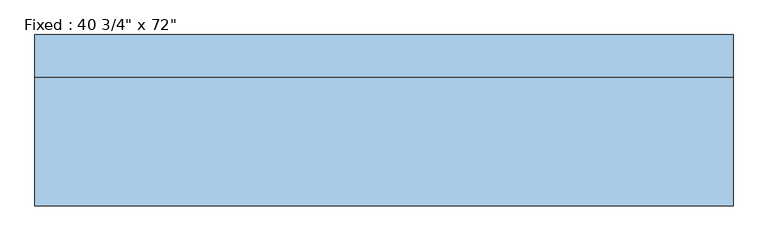
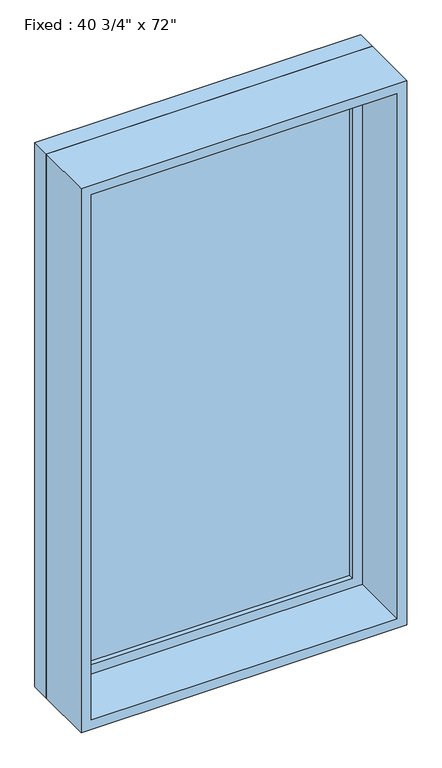
"""IFC4 building model written with IfcOpenShell, lengths in millimetres: window geometry."""

from ifc_helpers import new_model, si_unit, frame, origin, place, context, project, spatial, polyline, outline, extrude, source, transform, mapped, element, save


def window_712ab525(model_context):
    return source(origin(), model_context, "Body", "SweptSolid", [
        extrude(outline(polyline([(415.925, 79.375), (-492.125, 79.375), (-492.125, 92.075), (415.925, 92.075), (415.925, 79.375)])), frame((0.0, 0.0, 368.3), z_axis=(0.0, 0.0, 1.0), x_axis=(1.0, 0.0, 0.0)), (0.0, 0.0, 1.0), 1701.8),
        extrude(outline(polyline([(2114.55, -536.575), (323.85, -536.575), (323.85, 460.375), (2114.55, 460.375), (2114.55, -536.575)]), holes=[polyline([(2070.1, -492.125), (2070.1, 415.925), (368.3, 415.925), (368.3, -492.125), (2070.1, -492.125)])]), frame((0.0, 63.5, 0.0), z_axis=(0.0, 1.0, 0.0), x_axis=(0.0, 0.0, 1.0)), (0.0, 0.0, 1.0), 44.45),
        extrude(outline(polyline([(2133.6, -555.625), (304.8, -555.625), (304.8, 479.425), (2133.6, 479.425), (2133.6, -555.625)]), holes=[polyline([(2101.85, -523.875), (2101.85, 447.675), (336.55, 447.675), (336.55, -523.875), (2101.85, -523.875)])]), frame((0.0, -127.0, 0.0), z_axis=(0.0, 1.0, 0.0), x_axis=(0.0, 0.0, 1.0)), (0.0, 0.0, 1.0), 190.5),
        extrude(outline(polyline([(2133.6, 479.425), (2133.6, -555.625), (304.8, -555.625), (304.8, 479.425), (2133.6, 479.425)]), holes=[polyline([(2114.55, 460.375), (323.85, 460.375), (323.85, -536.575), (2114.55, -536.575), (2114.55, 460.375)])]), frame((0.0, 63.5, 0.0), z_axis=(0.0, 1.0, 0.0), x_axis=(0.0, 0.0, 1.0)), (0.0, 0.0, 1.0), 63.5),
    ])


if __name__ == "__main__":
    model = new_model("IFC4")
    model_context = context("Model", 3, world=origin())
    ifc_project = project(units=[si_unit("LENGTHUNIT", "METRE", prefix="MILLI")], contexts=[model_context])
    site = spatial("IfcSite", under=ifc_project)
    building = spatial("IfcBuilding", under=site)
    placement = place(None, origin())
    window_shape = window_712ab525(model_context)
    element("IfcWindow", 1, ObjectType="Fixed : 40 3/4\" x 72\"", at=placement, inside=building, context=model_context, shape_type="MappedRepresentation", body=[
        mapped(window_shape, transform((0.0, 0.0, 0.0), x_axis=(1.0, 0.0, 0.0), y_axis=(0.0, 1.0, 0.0), z_axis=(0.0, 0.0, 1.0))),
    ])
    save(model, "model.ifc")
